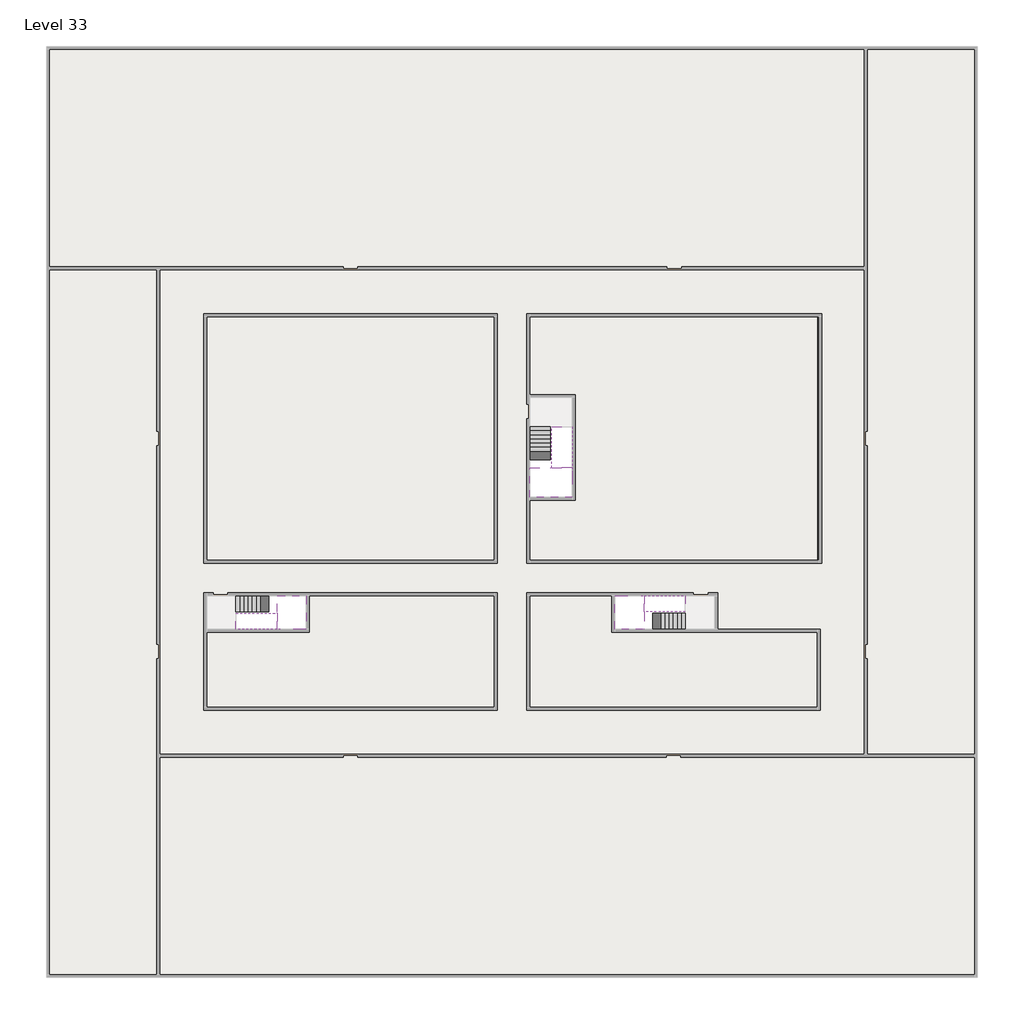
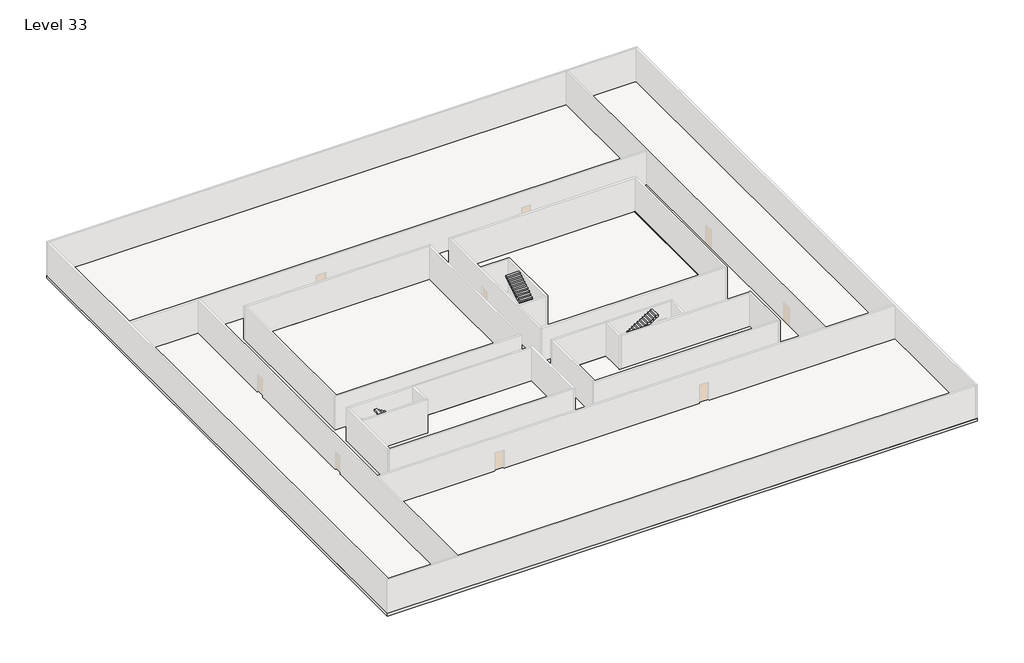
# One storey, part 2 of 2: 6 stair flights, 5 slabs.
"""IFC4 building model written with IfcOpenShell, lengths in millimetres."""

from ifc_helpers import new_model, si_unit, frame, origin, place, context, project, spatial, polyline, outline, extrude, faceted_brep, element, save

model = new_model("IFC4")

# Units and contexts
model_context = context("Model", 3, world=origin())
ifc_project = project(units=[si_unit("LENGTHUNIT", "METRE", prefix="MILLI")], contexts=[model_context])

# Site, building, storey
site = spatial("IfcSite", under=ifc_project)
building = spatial("IfcBuilding", under=site)
storey = spatial("IfcBuildingStorey", under=building, Name="Level 33", Elevation=121600.0)

# Slabs
placement = place(None, origin())
element("IfcSlab", 1, at=placement, inside=storey, context=model_context, shape_type="Brep", body=[
    faceted_brep([(8190.1058784, -42918.09644, 123500.0), (8190.1058784, -44018.09644, 123500.0), (8190.1058784, -44118.09644, 123500.0), (8190.1058784, -45218.09644, 123500.0), (8390.7194421, -45218.09644, 123500.0), (10190.1058784, -45218.09644, 123500.0), (10190.1058784, -42918.09644, 123500.0), (8269.4923146, -42918.09644, 123500.0), (8190.1058784, -42918.09644, 123327.2727273), (8190.1058784, -42918.09644, 123151.0278478), (8190.1058784, -44018.09644, 123151.0278478), (8190.1058784, -44018.09644, 123200.0), (8190.1058784, -44118.09644, 123200.0), (8190.1058784, -44118.09644, 123323.7551205), (8190.1058784, -45218.09644, 123323.7551205), (8390.7194421, -45218.09644, 123200.0), (10190.1058784, -45218.09644, 123200.0), (10190.1058784, -42918.09644, 123200.0), (8269.4923146, -42918.09644, 123200.0), (8390.7194421, -44118.09644, 123200.0), (8269.4923146, -44018.09644, 123200.0)], [[[0, 1, 2, 3, 4, 5, 6, 7]], [[1, 0, 8, 9, 10, 11]], [[2, 1, 11, 12, 13]], [[3, 2, 13, 14]], [[3, 14, 15, 16, 5, 4]], [[6, 5, 16, 17]], [[9, 8, 0, 7, 6, 17, 18]], [[19, 12, 11, 20, 18, 17, 16, 15]], [[12, 19, 13]], [[18, 20, 10, 9]], [[20, 11, 10]], [[19, 15, 14, 13]]]),
])
element("IfcSlab", 2, at=placement, inside=storey, context=model_context, shape_type="Brep", body=[
    faceted_brep([(33190.1058784, -45218.09644, 123500.0), (33190.1058784, -44118.09644, 123500.0), (33190.1058784, -44018.09644, 123500.0), (33190.1058784, -42918.09644, 123500.0), (32989.4923146, -42918.09644, 123500.0), (31190.1058784, -42918.09644, 123500.0), (31190.1058784, -45218.09644, 123500.0), (33110.7194421, -45218.09644, 123500.0), (33190.1058784, -45218.09644, 123327.2727273), (33190.1058784, -45218.09644, 123151.0278478), (33190.1058784, -44118.09644, 123151.0278478), (33190.1058784, -44118.09644, 123200.0), (33190.1058784, -44018.09644, 123200.0), (33190.1058784, -44018.09644, 123323.7551205), (33190.1058784, -42918.09644, 123323.7551205), (32989.4923146, -42918.09644, 123200.0), (31190.1058784, -42918.09644, 123200.0), (31190.1058784, -45218.09644, 123200.0), (33110.7194421, -45218.09644, 123200.0), (32989.4923146, -44018.09644, 123200.0), (33110.7194421, -44118.09644, 123200.0)], [[[0, 1, 2, 3, 4, 5, 6, 7]], [[1, 0, 8, 9, 10, 11]], [[2, 1, 11, 12, 13]], [[3, 2, 13, 14]], [[3, 14, 15, 16, 5, 4]], [[6, 5, 16, 17]], [[9, 8, 0, 7, 6, 17, 18]], [[19, 12, 11, 20, 18, 17, 16, 15]], [[12, 19, 13]], [[18, 20, 10, 9]], [[20, 11, 10]], [[19, 15, 14, 13]]]),
])
element("IfcSlab", 3, at=placement, inside=storey, context=model_context, shape_type="Brep", body=[
    faceted_brep([(26790.1058784, -34218.09644, 123500.0), (25390.1058784, -34218.09644, 123500.0), (25390.1058784, -34297.4828763, 123500.0), (25390.1058784, -36218.09644, 123500.0), (28290.1058784, -36218.09644, 123500.0), (28290.1058784, -34418.7100038, 123500.0), (28290.1058784, -34218.09644, 123500.0), (26890.1058784, -34218.09644, 123500.0), (26790.1058784, -34218.09644, 123200.0), (26790.1058784, -34218.09644, 123151.0278478), (25390.1058784, -34218.09644, 123151.0278478), (25390.1058784, -34218.09644, 123327.2727273), (25390.1058784, -34297.4828763, 123200.0), (25390.1058784, -36218.09644, 123200.0), (28290.1058784, -36218.09644, 123200.0), (28290.1058784, -34418.7100038, 123200.0), (28290.1058784, -34218.09644, 123323.7551205), (26890.1058784, -34218.09644, 123323.7551205), (26890.1058784, -34218.09644, 123200.0), (26890.1058784, -34418.7100038, 123200.0), (26790.1058784, -34297.4828763, 123200.0)], [[[0, 1, 2, 3, 4, 5, 6, 7]], [[1, 0, 8, 9, 10, 11]], [[1, 11, 10, 12, 13, 3, 2]], [[4, 3, 13, 14]], [[4, 14, 15, 16, 6, 5]], [[7, 6, 16, 17]], [[0, 7, 17, 18, 8]], [[18, 19, 15, 14, 13, 12, 20, 8]], [[19, 18, 17]], [[20, 12, 10, 9]], [[8, 20, 9]], [[15, 19, 17, 16]]]),
])
element("IfcSlab", 4, at=placement, inside=storey, context=model_context, shape_type="SweptSolid", body=[
    extrude(outline(polyline([(55890.1058784, -5518.09644), (55890.1058784, -68918.09644), (-7509.8941216, -68918.09644), (-7509.8941216, -5518.09644), (55890.1058784, -5518.09644)]), holes=[polyline([(22990.1058784, -23918.09644), (3390.1058784, -23918.09644), (3390.1058784, -40518.09644), (22990.1058784, -40518.09644), (22990.1058784, -23918.09644)]), polyline([(44990.1058784, -23918.09644), (25390.1058784, -23918.09644), (25390.1058784, -40518.09644), (44990.1058784, -40518.09644), (44990.1058784, -23918.09644)]), polyline([(37990.1058784, -42918.09644), (25390.1058784, -42918.09644), (25390.1058784, -50518.09644), (44990.1058784, -50518.09644), (44990.1058784, -45418.09644), (37990.1058784, -45418.09644), (37990.1058784, -42918.09644)]), polyline([(22990.1058784, -42918.09644), (3390.1058784, -42918.09644), (3390.1058784, -50518.09644), (22990.1058784, -50518.09644), (22990.1058784, -42918.09644)])]), frame((0.0, 0.0, 121300.0), z_axis=(0.0, 0.0, 1.0), x_axis=(1.0, 0.0, 0.0)), (0.0, 0.0, 1.0), 300.0),
])
element("IfcSlab", 5, at=placement, inside=storey, context=model_context, shape_type="SweptSolid", body=[
    extrude(outline(polyline([(22990.1058784, -23918.09644), (22990.1058784, -40518.09644), (3390.1058784, -40518.09644), (3390.1058784, -23918.09644), (22990.1058784, -23918.09644)])), frame((0.0, 0.0, 121300.0), z_axis=(0.0, 0.0, 1.0), x_axis=(1.0, 0.0, 0.0)), (0.0, 0.0, 1.0), 300.0),
    extrude(outline(polyline([(44990.1058784, -23918.09644), (44990.1058784, -40518.09644), (25390.1058784, -40518.09644), (25390.1058784, -36418.09644), (28490.1058784, -36418.09644), (28490.1058784, -29218.09644), (25390.1058784, -29218.09644), (25390.1058784, -23918.09644), (44990.1058784, -23918.09644)])), frame((0.0, 0.0, 121300.0), z_axis=(0.0, 0.0, 1.0), x_axis=(1.0, 0.0, 0.0)), (0.0, 0.0, 1.0), 300.0),
    extrude(outline(polyline([(22990.1058784, -42918.09644), (22990.1058784, -50518.09644), (3390.1058784, -50518.09644), (3390.1058784, -45418.09644), (10390.1058784, -45418.09644), (10390.1058784, -42918.09644), (22990.1058784, -42918.09644)])), frame((0.0, 0.0, 121300.0), z_axis=(0.0, 0.0, 1.0), x_axis=(1.0, 0.0, 0.0)), (0.0, 0.0, 1.0), 300.0),
    extrude(outline(polyline([(30990.1058784, -42918.09644), (30990.1058784, -45418.09644), (44990.1058784, -45418.09644), (44990.1058784, -50518.09644), (25390.1058784, -50518.09644), (25390.1058784, -42918.09644), (30990.1058784, -42918.09644)])), frame((0.0, 0.0, 121300.0), z_axis=(0.0, 0.0, 1.0), x_axis=(1.0, 0.0, 0.0)), (0.0, 0.0, 1.0), 300.0),
])

# Stair flights
element("IfcStairFlight", 6, at=placement, inside=storey, context=model_context, shape_type="Brep", body=[
    faceted_brep([(5670.1058784, -42918.09644, 121772.7272727), (5390.1058784, -42918.09644, 121772.7272727), (5390.1058784, -44018.09644, 121772.7272727), (5670.1058784, -44018.09644, 121772.7272727), (5670.1058784, -42918.09644, 121600.0), (5390.1058784, -42918.09644, 121600.0), (5390.1058784, -44018.09644, 121600.0), (5670.1058784, -44018.09644, 121600.0), (5950.1058784, -42918.09644, 121945.4545455), (5670.1058784, -42918.09644, 121945.4545455), (5670.1058784, -44018.09644, 121945.4545455), (5950.1058784, -44018.09644, 121945.4545455), (5950.1058784, -42918.09644, 121769.209666), (5675.8081041, -42918.09644, 121600.0), (5675.8081041, -44018.09644, 121600.0), (5950.1058784, -44018.09644, 121769.209666), (6230.1058784, -42918.09644, 122118.1818182), (5950.1058784, -42918.09644, 122118.1818182), (5950.1058784, -44018.09644, 122118.1818182), (6230.1058784, -44018.09644, 122118.1818182), (6230.1058784, -42918.09644, 121941.9369387), (6230.1058784, -44018.09644, 121941.9369387), (6510.1058784, -42918.09644, 122290.9090909), (6230.1058784, -42918.09644, 122290.9090909), (6230.1058784, -44018.09644, 122290.9090909), (6510.1058784, -44018.09644, 122290.9090909), (6510.1058784, -42918.09644, 122114.6642114), (6510.1058784, -44018.09644, 122114.6642114), (6790.1058784, -42918.09644, 122463.6363636), (6510.1058784, -42918.09644, 122463.6363636), (6510.1058784, -44018.09644, 122463.6363636), (6790.1058784, -44018.09644, 122463.6363636), (6790.1058784, -42918.09644, 122287.3914841), (6790.1058784, -44018.09644, 122287.3914841), (7070.1058784, -42918.09644, 122636.3636364), (6790.1058784, -42918.09644, 122636.3636364), (6790.1058784, -44018.09644, 122636.3636364), (7070.1058784, -44018.09644, 122636.3636364), (7070.1058784, -42918.09644, 122460.1187569), (7070.1058784, -44018.09644, 122460.1187569), (7350.1058784, -42918.09644, 122809.0909091), (7070.1058784, -42918.09644, 122809.0909091), (7070.1058784, -44018.09644, 122809.0909091), (7350.1058784, -44018.09644, 122809.0909091), (7350.1058784, -42918.09644, 122632.8460296), (7350.1058784, -44018.09644, 122632.8460296), (7630.1058784, -42918.09644, 122981.8181818), (7350.1058784, -42918.09644, 122981.8181818), (7350.1058784, -44018.09644, 122981.8181818), (7630.1058784, -44018.09644, 122981.8181818), (7630.1058784, -42918.09644, 122805.5733023), (7630.1058784, -44018.09644, 122805.5733023), (7910.1058784, -42918.09644, 123154.5454545), (7630.1058784, -42918.09644, 123154.5454545), (7630.1058784, -44018.09644, 123154.5454545), (7910.1058784, -44018.09644, 123154.5454545), (7910.1058784, -42918.09644, 122978.3005751), (7910.1058784, -44018.09644, 122978.3005751), (8190.1058784, -42918.09644, 123327.2727273), (7910.1058784, -42918.09644, 123327.2727273), (7910.1058784, -44018.09644, 123327.2727273), (8190.1058784, -44018.09644, 123327.2727273), (8190.1058784, -42918.09644, 123151.0278478), (8190.1058784, -44018.09644, 123151.0278478), (8190.1058784, -44018.09644, 123200.0)], [[[0, 1, 2, 3]], [[1, 0, 4, 5]], [[2, 1, 5, 6]], [[3, 2, 6, 7]], [[8, 9, 10, 11]], [[4, 0, 9, 8, 12, 13]], [[0, 3, 10, 9]], [[3, 7, 14, 15, 11, 10]], [[16, 17, 18, 19]], [[17, 16, 20, 12, 8]], [[8, 11, 18, 17]], [[19, 18, 11, 15, 21]], [[22, 23, 24, 25]], [[23, 22, 26, 20, 16]], [[16, 19, 24, 23]], [[25, 24, 19, 21, 27]], [[28, 29, 30, 31]], [[29, 28, 32, 26, 22]], [[22, 25, 30, 29]], [[31, 30, 25, 27, 33]], [[34, 35, 36, 37]], [[35, 34, 38, 32, 28]], [[28, 31, 36, 35]], [[37, 36, 31, 33, 39]], [[40, 41, 42, 43]], [[41, 40, 44, 38, 34]], [[34, 37, 42, 41]], [[43, 42, 37, 39, 45]], [[46, 47, 48, 49]], [[47, 46, 50, 44, 40]], [[40, 43, 48, 47]], [[49, 48, 43, 45, 51]], [[52, 53, 54, 55]], [[53, 52, 56, 50, 46]], [[46, 49, 54, 53]], [[55, 54, 49, 51, 57]], [[58, 59, 60, 61]], [[59, 58, 62, 56, 52]], [[52, 55, 60, 59]], [[61, 60, 55, 57, 63, 64]], [[58, 61, 64, 63, 62]], [[5, 4, 13, 14, 7, 6]], [[14, 13, 12, 20, 26, 32, 38, 44, 50, 56, 62, 63, 57, 51, 45, 39, 33, 27, 21, 15]]]),
])
element("IfcStairFlight", 7, at=placement, inside=storey, context=model_context, shape_type="Brep", body=[
    faceted_brep([(7910.1058784, -45218.09644, 123672.7272727), (8190.1058784, -45218.09644, 123672.7272727), (8190.1058784, -44118.09644, 123672.7272727), (7910.1058784, -44118.09644, 123672.7272727), (7910.1058784, -45218.09644, 123496.4823932), (8190.1058784, -45218.09644, 123323.7551205), (8190.1058784, -45218.09644, 123500.0), (8190.1058784, -44118.09644, 123323.7551205), (7910.1058784, -44118.09644, 123496.4823932), (7630.1058784, -45218.09644, 123845.4545455), (7910.1058784, -45218.09644, 123845.4545455), (7910.1058784, -44118.09644, 123845.4545455), (7630.1058784, -44118.09644, 123845.4545455), (7630.1058784, -45218.09644, 123669.209666), (7630.1058784, -44118.09644, 123669.209666), (7350.1058784, -45218.09644, 124018.1818182), (7630.1058784, -45218.09644, 124018.1818182), (7630.1058784, -44118.09644, 124018.1818182), (7350.1058784, -44118.09644, 124018.1818182), (7350.1058784, -45218.09644, 123841.9369387), (7350.1058784, -44118.09644, 123841.9369387), (7070.1058784, -45218.09644, 124190.9090909), (7350.1058784, -45218.09644, 124190.9090909), (7350.1058784, -44118.09644, 124190.9090909), (7070.1058784, -44118.09644, 124190.9090909), (7070.1058784, -45218.09644, 124014.6642114), (7070.1058784, -44118.09644, 124014.6642114), (6790.1058784, -45218.09644, 124363.6363636), (7070.1058784, -45218.09644, 124363.6363636), (7070.1058784, -44118.09644, 124363.6363636), (6790.1058784, -44118.09644, 124363.6363636), (6790.1058784, -45218.09644, 124187.3914841), (6790.1058784, -44118.09644, 124187.3914841), (6510.1058784, -45218.09644, 124536.3636364), (6790.1058784, -45218.09644, 124536.3636364), (6790.1058784, -44118.09644, 124536.3636364), (6510.1058784, -44118.09644, 124536.3636364), (6510.1058784, -45218.09644, 124360.1187569), (6510.1058784, -44118.09644, 124360.1187569), (6230.1058784, -45218.09644, 124709.0909091), (6510.1058784, -45218.09644, 124709.0909091), (6510.1058784, -44118.09644, 124709.0909091), (6230.1058784, -44118.09644, 124709.0909091), (6230.1058784, -45218.09644, 124532.8460296), (6230.1058784, -44118.09644, 124532.8460296), (5950.1058784, -45218.09644, 124881.8181818), (6230.1058784, -45218.09644, 124881.8181818), (6230.1058784, -44118.09644, 124881.8181818), (5950.1058784, -44118.09644, 124881.8181818), (5950.1058784, -45218.09644, 124705.5733023), (5950.1058784, -44118.09644, 124705.5733023), (5670.1058784, -45218.09644, 125054.5454545), (5950.1058784, -45218.09644, 125054.5454545), (5950.1058784, -44118.09644, 125054.5454545), (5670.1058784, -44118.09644, 125054.5454545), (5670.1058784, -45218.09644, 124878.3005751), (5670.1058784, -44118.09644, 124878.3005751), (5390.1058784, -45218.09644, 125227.2727273), (5670.1058784, -45218.09644, 125227.2727273), (5670.1058784, -44118.09644, 125227.2727273), (5390.1058784, -44118.09644, 125227.2727273), (5390.1058784, -45218.09644, 125051.0278478), (5390.1058784, -44118.09644, 125051.0278478)], [[[0, 1, 2, 3]], [[1, 0, 4, 5, 6]], [[2, 1, 6, 5, 7]], [[3, 2, 7, 8]], [[9, 10, 11, 12]], [[10, 9, 13, 4, 0]], [[11, 10, 0, 3]], [[12, 11, 3, 8, 14]], [[15, 16, 17, 18]], [[16, 15, 19, 13, 9]], [[17, 16, 9, 12]], [[18, 17, 12, 14, 20]], [[21, 22, 23, 24]], [[22, 21, 25, 19, 15]], [[23, 22, 15, 18]], [[24, 23, 18, 20, 26]], [[27, 28, 29, 30]], [[28, 27, 31, 25, 21]], [[29, 28, 21, 24]], [[30, 29, 24, 26, 32]], [[33, 34, 35, 36]], [[34, 33, 37, 31, 27]], [[35, 34, 27, 30]], [[36, 35, 30, 32, 38]], [[39, 40, 41, 42]], [[40, 39, 43, 37, 33]], [[41, 40, 33, 36]], [[42, 41, 36, 38, 44]], [[45, 46, 47, 48]], [[46, 45, 49, 43, 39]], [[47, 46, 39, 42]], [[48, 47, 42, 44, 50]], [[51, 52, 53, 54]], [[52, 51, 55, 49, 45]], [[53, 52, 45, 48]], [[54, 53, 48, 50, 56]], [[57, 58, 59, 60]], [[58, 57, 61, 55, 51]], [[59, 58, 51, 54]], [[60, 59, 54, 56, 62]], [[57, 60, 62, 61]], [[5, 4, 13, 19, 25, 31, 37, 43, 49, 55, 61, 62, 56, 50, 44, 38, 32, 26, 20, 14, 8, 7]]]),
])
element("IfcStairFlight", 8, at=placement, inside=storey, context=model_context, shape_type="Brep", body=[
    faceted_brep([(35710.1058784, -45218.09644, 121772.7272727), (35990.1058784, -45218.09644, 121772.7272727), (35990.1058784, -44118.09644, 121772.7272727), (35710.1058784, -44118.09644, 121772.7272727), (35710.1058784, -45218.09644, 121600.0), (35990.1058784, -45218.09644, 121600.0), (35990.1058784, -44118.09644, 121600.0), (35710.1058784, -44118.09644, 121600.0), (35430.1058784, -45218.09644, 121945.4545455), (35710.1058784, -45218.09644, 121945.4545455), (35710.1058784, -44118.09644, 121945.4545455), (35430.1058784, -44118.09644, 121945.4545455), (35430.1058784, -45218.09644, 121769.209666), (35704.4036527, -45218.09644, 121600.0), (35704.4036527, -44118.09644, 121600.0), (35430.1058784, -44118.09644, 121769.209666), (35150.1058784, -45218.09644, 122118.1818182), (35430.1058784, -45218.09644, 122118.1818182), (35430.1058784, -44118.09644, 122118.1818182), (35150.1058784, -44118.09644, 122118.1818182), (35150.1058784, -45218.09644, 121941.9369387), (35150.1058784, -44118.09644, 121941.9369387), (34870.1058784, -45218.09644, 122290.9090909), (35150.1058784, -45218.09644, 122290.9090909), (35150.1058784, -44118.09644, 122290.9090909), (34870.1058784, -44118.09644, 122290.9090909), (34870.1058784, -45218.09644, 122114.6642114), (34870.1058784, -44118.09644, 122114.6642114), (34590.1058784, -45218.09644, 122463.6363636), (34870.1058784, -45218.09644, 122463.6363636), (34870.1058784, -44118.09644, 122463.6363636), (34590.1058784, -44118.09644, 122463.6363636), (34590.1058784, -45218.09644, 122287.3914841), (34590.1058784, -44118.09644, 122287.3914841), (34310.1058784, -45218.09644, 122636.3636364), (34590.1058784, -45218.09644, 122636.3636364), (34590.1058784, -44118.09644, 122636.3636364), (34310.1058784, -44118.09644, 122636.3636364), (34310.1058784, -45218.09644, 122460.1187569), (34310.1058784, -44118.09644, 122460.1187569), (34030.1058784, -45218.09644, 122809.0909091), (34310.1058784, -45218.09644, 122809.0909091), (34310.1058784, -44118.09644, 122809.0909091), (34030.1058784, -44118.09644, 122809.0909091), (34030.1058784, -45218.09644, 122632.8460296), (34030.1058784, -44118.09644, 122632.8460296), (33750.1058784, -45218.09644, 122981.8181818), (34030.1058784, -45218.09644, 122981.8181818), (34030.1058784, -44118.09644, 122981.8181818), (33750.1058784, -44118.09644, 122981.8181818), (33750.1058784, -45218.09644, 122805.5733023), (33750.1058784, -44118.09644, 122805.5733023), (33470.1058784, -45218.09644, 123154.5454545), (33750.1058784, -45218.09644, 123154.5454545), (33750.1058784, -44118.09644, 123154.5454545), (33470.1058784, -44118.09644, 123154.5454545), (33470.1058784, -45218.09644, 122978.3005751), (33470.1058784, -44118.09644, 122978.3005751), (33190.1058784, -45218.09644, 123327.2727273), (33470.1058784, -45218.09644, 123327.2727273), (33470.1058784, -44118.09644, 123327.2727273), (33190.1058784, -44118.09644, 123327.2727273), (33190.1058784, -45218.09644, 123151.0278478), (33190.1058784, -44118.09644, 123151.0278478), (33190.1058784, -44118.09644, 123200.0)], [[[0, 1, 2, 3]], [[1, 0, 4, 5]], [[2, 1, 5, 6]], [[3, 2, 6, 7]], [[8, 9, 10, 11]], [[4, 0, 9, 8, 12, 13]], [[0, 3, 10, 9]], [[3, 7, 14, 15, 11, 10]], [[16, 17, 18, 19]], [[17, 16, 20, 12, 8]], [[8, 11, 18, 17]], [[19, 18, 11, 15, 21]], [[22, 23, 24, 25]], [[23, 22, 26, 20, 16]], [[16, 19, 24, 23]], [[25, 24, 19, 21, 27]], [[28, 29, 30, 31]], [[29, 28, 32, 26, 22]], [[22, 25, 30, 29]], [[31, 30, 25, 27, 33]], [[34, 35, 36, 37]], [[35, 34, 38, 32, 28]], [[28, 31, 36, 35]], [[37, 36, 31, 33, 39]], [[40, 41, 42, 43]], [[41, 40, 44, 38, 34]], [[34, 37, 42, 41]], [[43, 42, 37, 39, 45]], [[46, 47, 48, 49]], [[47, 46, 50, 44, 40]], [[40, 43, 48, 47]], [[49, 48, 43, 45, 51]], [[52, 53, 54, 55]], [[53, 52, 56, 50, 46]], [[46, 49, 54, 53]], [[55, 54, 49, 51, 57]], [[58, 59, 60, 61]], [[59, 58, 62, 56, 52]], [[52, 55, 60, 59]], [[61, 60, 55, 57, 63, 64]], [[58, 61, 64, 63, 62]], [[5, 4, 13, 14, 7, 6]], [[14, 13, 12, 20, 26, 32, 38, 44, 50, 56, 62, 63, 57, 51, 45, 39, 33, 27, 21, 15]]]),
])
element("IfcStairFlight", 9, at=placement, inside=storey, context=model_context, shape_type="Brep", body=[
    faceted_brep([(33470.1058784, -42918.09644, 123672.7272727), (33190.1058784, -42918.09644, 123672.7272727), (33190.1058784, -44018.09644, 123672.7272727), (33470.1058784, -44018.09644, 123672.7272727), (33470.1058784, -42918.09644, 123496.4823932), (33190.1058784, -42918.09644, 123323.7551205), (33190.1058784, -42918.09644, 123500.0), (33190.1058784, -44018.09644, 123323.7551205), (33470.1058784, -44018.09644, 123496.4823932), (33750.1058784, -42918.09644, 123845.4545455), (33470.1058784, -42918.09644, 123845.4545455), (33470.1058784, -44018.09644, 123845.4545455), (33750.1058784, -44018.09644, 123845.4545455), (33750.1058784, -42918.09644, 123669.209666), (33750.1058784, -44018.09644, 123669.209666), (34030.1058784, -42918.09644, 124018.1818182), (33750.1058784, -42918.09644, 124018.1818182), (33750.1058784, -44018.09644, 124018.1818182), (34030.1058784, -44018.09644, 124018.1818182), (34030.1058784, -42918.09644, 123841.9369387), (34030.1058784, -44018.09644, 123841.9369387), (34310.1058784, -42918.09644, 124190.9090909), (34030.1058784, -42918.09644, 124190.9090909), (34030.1058784, -44018.09644, 124190.9090909), (34310.1058784, -44018.09644, 124190.9090909), (34310.1058784, -42918.09644, 124014.6642114), (34310.1058784, -44018.09644, 124014.6642114), (34590.1058784, -42918.09644, 124363.6363636), (34310.1058784, -42918.09644, 124363.6363636), (34310.1058784, -44018.09644, 124363.6363636), (34590.1058784, -44018.09644, 124363.6363636), (34590.1058784, -42918.09644, 124187.3914841), (34590.1058784, -44018.09644, 124187.3914841), (34870.1058784, -42918.09644, 124536.3636364), (34590.1058784, -42918.09644, 124536.3636364), (34590.1058784, -44018.09644, 124536.3636364), (34870.1058784, -44018.09644, 124536.3636364), (34870.1058784, -42918.09644, 124360.1187569), (34870.1058784, -44018.09644, 124360.1187569), (35150.1058784, -42918.09644, 124709.0909091), (34870.1058784, -42918.09644, 124709.0909091), (34870.1058784, -44018.09644, 124709.0909091), (35150.1058784, -44018.09644, 124709.0909091), (35150.1058784, -42918.09644, 124532.8460296), (35150.1058784, -44018.09644, 124532.8460296), (35430.1058784, -42918.09644, 124881.8181818), (35150.1058784, -42918.09644, 124881.8181818), (35150.1058784, -44018.09644, 124881.8181818), (35430.1058784, -44018.09644, 124881.8181818), (35430.1058784, -42918.09644, 124705.5733023), (35430.1058784, -44018.09644, 124705.5733023), (35710.1058784, -42918.09644, 125054.5454545), (35430.1058784, -42918.09644, 125054.5454545), (35430.1058784, -44018.09644, 125054.5454545), (35710.1058784, -44018.09644, 125054.5454545), (35710.1058784, -42918.09644, 124878.3005751), (35710.1058784, -44018.09644, 124878.3005751), (35990.1058784, -42918.09644, 125227.2727273), (35710.1058784, -42918.09644, 125227.2727273), (35710.1058784, -44018.09644, 125227.2727273), (35990.1058784, -44018.09644, 125227.2727273), (35990.1058784, -42918.09644, 125051.0278478), (35990.1058784, -44018.09644, 125051.0278478)], [[[0, 1, 2, 3]], [[1, 0, 4, 5, 6]], [[2, 1, 6, 5, 7]], [[3, 2, 7, 8]], [[9, 10, 11, 12]], [[10, 9, 13, 4, 0]], [[11, 10, 0, 3]], [[12, 11, 3, 8, 14]], [[15, 16, 17, 18]], [[16, 15, 19, 13, 9]], [[17, 16, 9, 12]], [[18, 17, 12, 14, 20]], [[21, 22, 23, 24]], [[22, 21, 25, 19, 15]], [[23, 22, 15, 18]], [[24, 23, 18, 20, 26]], [[27, 28, 29, 30]], [[28, 27, 31, 25, 21]], [[29, 28, 21, 24]], [[30, 29, 24, 26, 32]], [[33, 34, 35, 36]], [[34, 33, 37, 31, 27]], [[35, 34, 27, 30]], [[36, 35, 30, 32, 38]], [[39, 40, 41, 42]], [[40, 39, 43, 37, 33]], [[41, 40, 33, 36]], [[42, 41, 36, 38, 44]], [[45, 46, 47, 48]], [[46, 45, 49, 43, 39]], [[47, 46, 39, 42]], [[48, 47, 42, 44, 50]], [[51, 52, 53, 54]], [[52, 51, 55, 49, 45]], [[53, 52, 45, 48]], [[54, 53, 48, 50, 56]], [[57, 58, 59, 60]], [[58, 57, 61, 55, 51]], [[59, 58, 51, 54]], [[60, 59, 54, 56, 62]], [[57, 60, 62, 61]], [[5, 4, 13, 19, 25, 31, 37, 43, 49, 55, 61, 62, 56, 50, 44, 38, 32, 26, 20, 14, 8, 7]]]),
])
element("IfcStairFlight", 10, at=placement, inside=storey, context=model_context, shape_type="Brep", body=[
    faceted_brep([(26790.1058784, -31698.09644, 121772.7272727), (26790.1058784, -31418.09644, 121772.7272727), (25390.1058784, -31418.09644, 121772.7272727), (25390.1058784, -31698.09644, 121772.7272727), (26790.1058784, -31698.09644, 121600.0), (26790.1058784, -31418.09644, 121600.0), (25390.1058784, -31418.09644, 121600.0), (25390.1058784, -31698.09644, 121600.0), (26790.1058784, -31978.09644, 121945.4545455), (26790.1058784, -31698.09644, 121945.4545455), (25390.1058784, -31698.09644, 121945.4545455), (25390.1058784, -31978.09644, 121945.4545455), (26790.1058784, -31978.09644, 121769.209666), (26790.1058784, -31703.7986657, 121600.0), (25390.1058784, -31703.7986657, 121600.0), (25390.1058784, -31978.09644, 121769.209666), (26790.1058784, -32258.09644, 122118.1818182), (26790.1058784, -31978.09644, 122118.1818182), (25390.1058784, -31978.09644, 122118.1818182), (25390.1058784, -32258.09644, 122118.1818182), (26790.1058784, -32258.09644, 121941.9369387), (25390.1058784, -32258.09644, 121941.9369387), (26790.1058784, -32538.09644, 122290.9090909), (26790.1058784, -32258.09644, 122290.9090909), (25390.1058784, -32258.09644, 122290.9090909), (25390.1058784, -32538.09644, 122290.9090909), (26790.1058784, -32538.09644, 122114.6642114), (25390.1058784, -32538.09644, 122114.6642114), (26790.1058784, -32818.09644, 122463.6363636), (26790.1058784, -32538.09644, 122463.6363636), (25390.1058784, -32538.09644, 122463.6363636), (25390.1058784, -32818.09644, 122463.6363636), (26790.1058784, -32818.09644, 122287.3914841), (25390.1058784, -32818.09644, 122287.3914841), (26790.1058784, -33098.09644, 122636.3636364), (26790.1058784, -32818.09644, 122636.3636364), (25390.1058784, -32818.09644, 122636.3636364), (25390.1058784, -33098.09644, 122636.3636364), (26790.1058784, -33098.09644, 122460.1187569), (25390.1058784, -33098.09644, 122460.1187569), (26790.1058784, -33378.09644, 122809.0909091), (26790.1058784, -33098.09644, 122809.0909091), (25390.1058784, -33098.09644, 122809.0909091), (25390.1058784, -33378.09644, 122809.0909091), (26790.1058784, -33378.09644, 122632.8460296), (25390.1058784, -33378.09644, 122632.8460296), (26790.1058784, -33658.09644, 122981.8181818), (26790.1058784, -33378.09644, 122981.8181818), (25390.1058784, -33378.09644, 122981.8181818), (25390.1058784, -33658.09644, 122981.8181818), (26790.1058784, -33658.09644, 122805.5733023), (25390.1058784, -33658.09644, 122805.5733023), (26790.1058784, -33938.09644, 123154.5454545), (26790.1058784, -33658.09644, 123154.5454545), (25390.1058784, -33658.09644, 123154.5454545), (25390.1058784, -33938.09644, 123154.5454545), (26790.1058784, -33938.09644, 122978.3005751), (25390.1058784, -33938.09644, 122978.3005751), (26790.1058784, -34218.09644, 123327.2727273), (26790.1058784, -33938.09644, 123327.2727273), (25390.1058784, -33938.09644, 123327.2727273), (25390.1058784, -34218.09644, 123327.2727273), (26790.1058784, -34218.09644, 123200.0), (26790.1058784, -34218.09644, 123151.0278478), (25390.1058784, -34218.09644, 123151.0278478)], [[[0, 1, 2, 3]], [[1, 0, 4, 5]], [[2, 1, 5, 6]], [[3, 2, 6, 7]], [[8, 9, 10, 11]], [[4, 0, 9, 8, 12, 13]], [[0, 3, 10, 9]], [[3, 7, 14, 15, 11, 10]], [[16, 17, 18, 19]], [[17, 16, 20, 12, 8]], [[8, 11, 18, 17]], [[19, 18, 11, 15, 21]], [[22, 23, 24, 25]], [[23, 22, 26, 20, 16]], [[16, 19, 24, 23]], [[25, 24, 19, 21, 27]], [[28, 29, 30, 31]], [[29, 28, 32, 26, 22]], [[22, 25, 30, 29]], [[31, 30, 25, 27, 33]], [[34, 35, 36, 37]], [[35, 34, 38, 32, 28]], [[28, 31, 36, 35]], [[37, 36, 31, 33, 39]], [[40, 41, 42, 43]], [[41, 40, 44, 38, 34]], [[34, 37, 42, 41]], [[43, 42, 37, 39, 45]], [[46, 47, 48, 49]], [[47, 46, 50, 44, 40]], [[40, 43, 48, 47]], [[49, 48, 43, 45, 51]], [[52, 53, 54, 55]], [[53, 52, 56, 50, 46]], [[46, 49, 54, 53]], [[55, 54, 49, 51, 57]], [[58, 59, 60, 61]], [[59, 58, 62, 63, 56, 52]], [[52, 55, 60, 59]], [[61, 60, 55, 57, 64]], [[58, 61, 64, 63, 62]], [[5, 4, 13, 14, 7, 6]], [[14, 13, 12, 20, 26, 32, 38, 44, 50, 56, 63, 64, 57, 51, 45, 39, 33, 27, 21, 15]]]),
])
element("IfcStairFlight", 11, at=placement, inside=storey, context=model_context, shape_type="Brep", body=[
    faceted_brep([(26890.1058784, -33938.09644, 123672.7272727), (26890.1058784, -34218.09644, 123672.7272727), (28290.1058784, -34218.09644, 123672.7272727), (28290.1058784, -33938.09644, 123672.7272727), (26890.1058784, -33938.09644, 123496.4823932), (26890.1058784, -34218.09644, 123323.7551205), (28290.1058784, -34218.09644, 123323.7551205), (28290.1058784, -34218.09644, 123500.0), (28290.1058784, -33938.09644, 123496.4823932), (26890.1058784, -33658.09644, 123845.4545455), (26890.1058784, -33938.09644, 123845.4545455), (28290.1058784, -33938.09644, 123845.4545455), (28290.1058784, -33658.09644, 123845.4545455), (26890.1058784, -33658.09644, 123669.209666), (28290.1058784, -33658.09644, 123669.209666), (26890.1058784, -33378.09644, 124018.1818182), (26890.1058784, -33658.09644, 124018.1818182), (28290.1058784, -33658.09644, 124018.1818182), (28290.1058784, -33378.09644, 124018.1818182), (26890.1058784, -33378.09644, 123841.9369387), (28290.1058784, -33378.09644, 123841.9369387), (26890.1058784, -33098.09644, 124190.9090909), (26890.1058784, -33378.09644, 124190.9090909), (28290.1058784, -33378.09644, 124190.9090909), (28290.1058784, -33098.09644, 124190.9090909), (26890.1058784, -33098.09644, 124014.6642114), (28290.1058784, -33098.09644, 124014.6642114), (26890.1058784, -32818.09644, 124363.6363636), (26890.1058784, -33098.09644, 124363.6363636), (28290.1058784, -33098.09644, 124363.6363636), (28290.1058784, -32818.09644, 124363.6363636), (26890.1058784, -32818.09644, 124187.3914841), (28290.1058784, -32818.09644, 124187.3914841), (26890.1058784, -32538.09644, 124536.3636364), (26890.1058784, -32818.09644, 124536.3636364), (28290.1058784, -32818.09644, 124536.3636364), (28290.1058784, -32538.09644, 124536.3636364), (26890.1058784, -32538.09644, 124360.1187569), (28290.1058784, -32538.09644, 124360.1187569), (26890.1058784, -32258.09644, 124709.0909091), (26890.1058784, -32538.09644, 124709.0909091), (28290.1058784, -32538.09644, 124709.0909091), (28290.1058784, -32258.09644, 124709.0909091), (26890.1058784, -32258.09644, 124532.8460296), (28290.1058784, -32258.09644, 124532.8460296), (26890.1058784, -31978.09644, 124881.8181818), (26890.1058784, -32258.09644, 124881.8181818), (28290.1058784, -32258.09644, 124881.8181818), (28290.1058784, -31978.09644, 124881.8181818), (26890.1058784, -31978.09644, 124705.5733023), (28290.1058784, -31978.09644, 124705.5733023), (26890.1058784, -31698.09644, 125054.5454545), (26890.1058784, -31978.09644, 125054.5454545), (28290.1058784, -31978.09644, 125054.5454545), (28290.1058784, -31698.09644, 125054.5454545), (26890.1058784, -31698.09644, 124878.3005751), (28290.1058784, -31698.09644, 124878.3005751), (26890.1058784, -31418.09644, 125227.2727273), (26890.1058784, -31698.09644, 125227.2727273), (28290.1058784, -31698.09644, 125227.2727273), (28290.1058784, -31418.09644, 125227.2727273), (26890.1058784, -31418.09644, 125051.0278478), (28290.1058784, -31418.09644, 125051.0278478)], [[[0, 1, 2, 3]], [[1, 0, 4, 5]], [[2, 1, 5, 6, 7]], [[3, 2, 7, 6, 8]], [[9, 10, 11, 12]], [[10, 9, 13, 4, 0]], [[11, 10, 0, 3]], [[12, 11, 3, 8, 14]], [[15, 16, 17, 18]], [[16, 15, 19, 13, 9]], [[17, 16, 9, 12]], [[18, 17, 12, 14, 20]], [[21, 22, 23, 24]], [[22, 21, 25, 19, 15]], [[23, 22, 15, 18]], [[24, 23, 18, 20, 26]], [[27, 28, 29, 30]], [[28, 27, 31, 25, 21]], [[29, 28, 21, 24]], [[30, 29, 24, 26, 32]], [[33, 34, 35, 36]], [[34, 33, 37, 31, 27]], [[35, 34, 27, 30]], [[36, 35, 30, 32, 38]], [[39, 40, 41, 42]], [[40, 39, 43, 37, 33]], [[41, 40, 33, 36]], [[42, 41, 36, 38, 44]], [[45, 46, 47, 48]], [[46, 45, 49, 43, 39]], [[47, 46, 39, 42]], [[48, 47, 42, 44, 50]], [[51, 52, 53, 54]], [[52, 51, 55, 49, 45]], [[53, 52, 45, 48]], [[54, 53, 48, 50, 56]], [[57, 58, 59, 60]], [[58, 57, 61, 55, 51]], [[59, 58, 51, 54]], [[60, 59, 54, 56, 62]], [[57, 60, 62, 61]], [[5, 4, 13, 19, 25, 31, 37, 43, 49, 55, 61, 62, 56, 50, 44, 38, 32, 26, 20, 14, 8, 6]]]),
])

save(model, "model.ifc")
